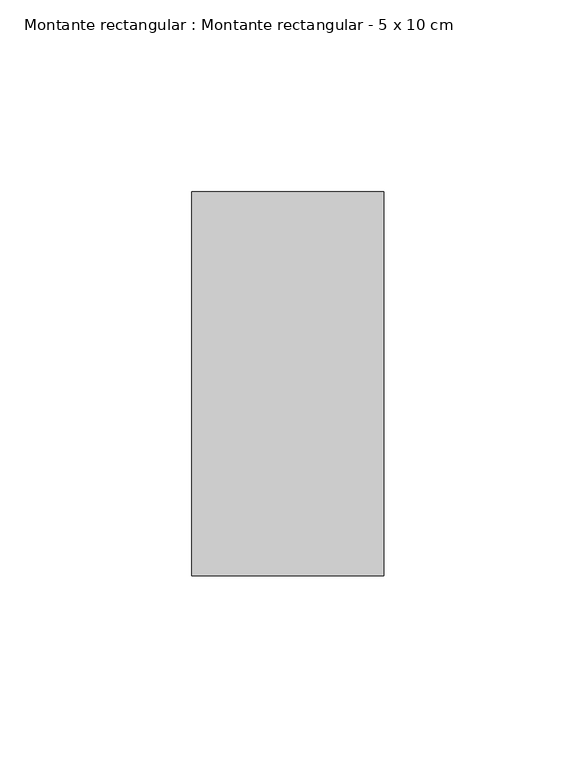
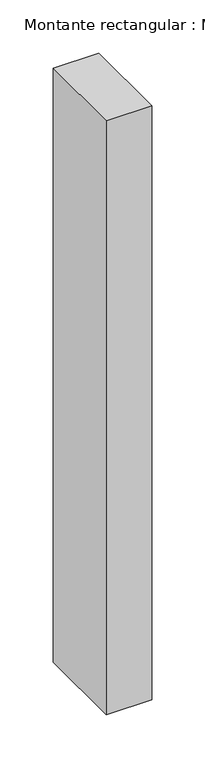
"""IFC4 building model written with IfcOpenShell, lengths in millimetres: member geometry, Montante rectangular : Montante rectangular - 5 x 10 cm."""

from ifc_helpers import new_model, si_unit, frame, origin, place, context, project, spatial, polyline, outline, extrude, source, transform, mapped, element, save


def montante_rectangular_montante_rectangular_5_x_10_cm_1b09ccce(model_context):
    return source(origin(), model_context, "Body", "SweptSolid", [
        extrude(outline(polyline([(0.0, -50.0), (-50.0, -50.0), (-50.0, 50.0), (0.0, 50.0), (0.0, -50.0)])), frame((0.0, 0.0, -684.0), z_axis=(0.0, 0.0, 1.0), x_axis=(1.0, 0.0, 0.0)), (0.0, 0.0, 1.0), 684.0),
    ])


if __name__ == "__main__":
    model = new_model("IFC4")
    model_context = context("Model", 3, world=origin())
    ifc_project = project(units=[si_unit("LENGTHUNIT", "METRE", prefix="MILLI")], contexts=[model_context])
    site = spatial("IfcSite", under=ifc_project)
    building = spatial("IfcBuilding", under=site)
    placement = place(None, origin())
    montante_rectangular_montante_rectangular_5_x_10_cm_shape = montante_rectangular_montante_rectangular_5_x_10_cm_1b09ccce(model_context)
    element("IfcMember", 1, ObjectType="Montante rectangular : Montante rectangular - 5 x 10 cm", at=placement, inside=building, context=model_context, shape_type="MappedRepresentation", body=[
        mapped(montante_rectangular_montante_rectangular_5_x_10_cm_shape, transform((0.0, 0.0, 0.0), x_axis=(1.0, 0.0, 0.0), y_axis=(0.0, 1.0, 0.0), z_axis=(0.0, 0.0, 1.0))),
    ])
    save(model, "model.ifc")
